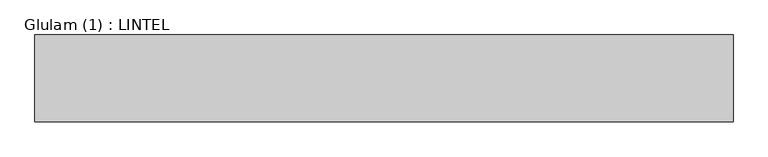
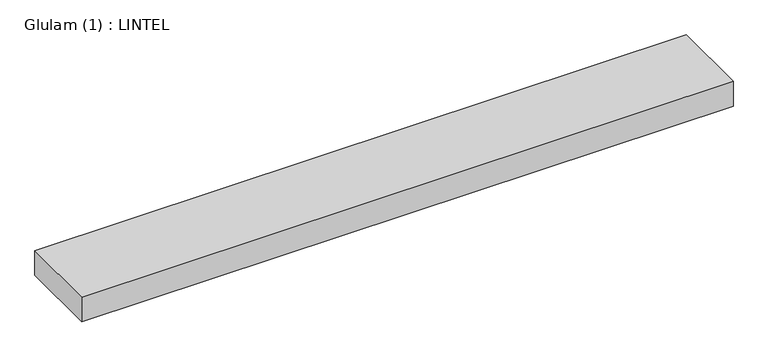
"""IFC4 building model written with IfcOpenShell, lengths in millimetres: beam geometry, Glulam (1) : LINTEL."""

from ifc_helpers import new_model, si_unit, frame, origin, place, context, project, spatial, polyline, outline, extrude, source, transform, mapped, element, save


def glulam_1_lintel_ef95ec8c(model_context):
    return source(origin(), model_context, "Body", "SweptSolid", [
        extrude(outline(polyline([(561.5, 70.0), (561.5, -70.0), (-563.5, -70.0), (-563.5, 70.0), (561.5, 70.0)])), frame((0.0, 0.0, -22.5), z_axis=(0.0, 0.0, 1.0), x_axis=(1.0, 0.0, 0.0)), (0.0, 0.0, 1.0), 45.0),
    ])


if __name__ == "__main__":
    model = new_model("IFC4")
    model_context = context("Model", 3, world=origin())
    ifc_project = project(units=[si_unit("LENGTHUNIT", "METRE", prefix="MILLI")], contexts=[model_context])
    site = spatial("IfcSite", under=ifc_project)
    building = spatial("IfcBuilding", under=site)
    placement = place(None, origin())
    glulam_1_lintel_shape = glulam_1_lintel_ef95ec8c(model_context)
    element("IfcBeam", 1, ObjectType="Glulam (1) : LINTEL", at=placement, inside=building, context=model_context, shape_type="MappedRepresentation", body=[
        mapped(glulam_1_lintel_shape, transform((0.0, 0.0, 0.0), x_axis=(1.0, 0.0, 0.0), y_axis=(0.0, 1.0, 0.0), z_axis=(0.0, 0.0, 1.0))),
    ])
    save(model, "model.ifc")
